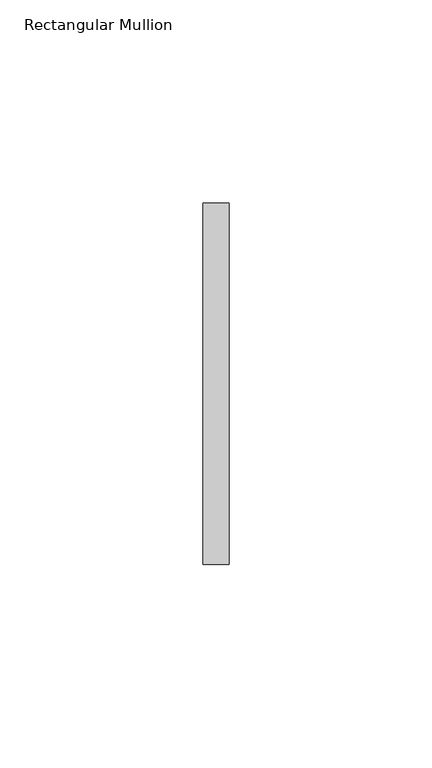
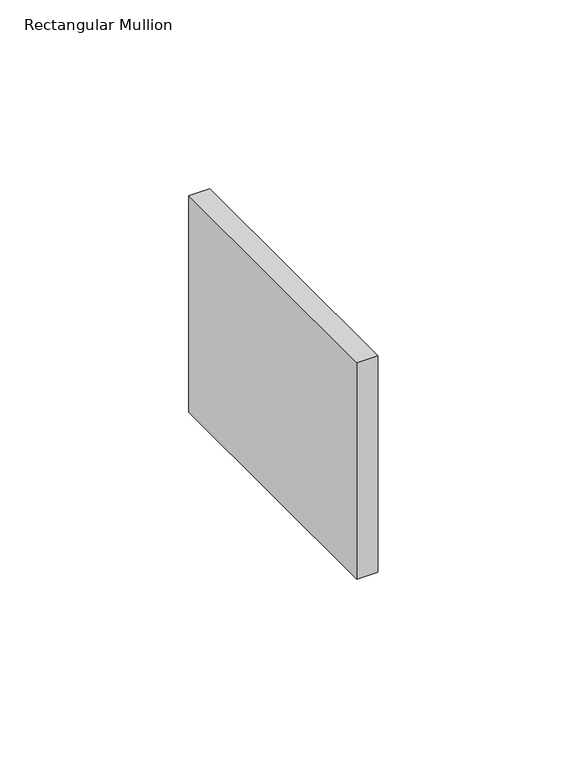
"""IFC4 building model written with IfcOpenShell, lengths in millimetres: member geometry, Rectangular Mullion."""

import ifcopenshell
import ifcopenshell.guid

model = None  # the IFC model being written
_history = None  # IfcOwnerHistory: only IFC2X3 demands one
_inside = {}  # id of a spatial element -> (the spatial element, [elements in it])
_under = {}  # id of a project, library or spatial element -> (it, [spatial elements below it])
_declared = {}  # id of a project -> (the project, [libraries it declares])
_typed = {}  # id of a type object -> (the type object, [elements of that type])
_made_of = {}  # id of a material, layer set ... -> (it, [elements and type objects made of it])


def new_model(schema):
    """Start an empty IFC model of exactly this schema.

    Asked for "IFC4X3", IfcOpenShell would pick the latest addendum, in which some entities
    have other attributes; the version numbers below select the first issue.
    IFC2X3 requires an IfcOwnerHistory on every rooted entity: one is made here for all.
    """
    global model, _history
    if schema == "IFC4X3":
        model = ifcopenshell.file(schema_version=(4, 3, 0, 0))
    else:
        model = ifcopenshell.file(schema=schema)
    _inside.clear()
    _under.clear()
    _declared.clear()
    _typed.clear()
    _made_of.clear()
    _history = None
    if model.schema == "IFC2X3":
        org = make("IfcOrganization", Name="unknown")
        user = make(
            "IfcPersonAndOrganization",
            ThePerson=make("IfcPerson", FamilyName="unknown"),
            TheOrganization=org,
        )
        app = make(
            "IfcApplication",
            ApplicationDeveloper=org,
            Version="unknown",
            ApplicationFullName="unknown",
            ApplicationIdentifier="unknown",
        )
        _history = make(
            "IfcOwnerHistory",
            OwningUser=user,
            OwningApplication=app,
            ChangeAction="ADDED",
            CreationDate=0,
        )
    return model


def make(cls, **values):
    """One entity of the class cls with the attributes given. An attribute that is None is left unset."""
    return model.create_entity(
        cls, **{name: value for name, value in values.items() if value is not None}
    )


def rooted(cls, **values):
    """An entity with a GlobalId (a new one), such as an element, a storey or a relation."""
    return make(cls, GlobalId=ifcopenshell.guid.new(), OwnerHistory=_history, **values)


def si_unit(unit_type, name, prefix=None):
    """IfcSIUnit, for example si_unit("LENGTHUNIT", "METRE", prefix="MILLI")."""
    return make("IfcSIUnit", UnitType=unit_type, Prefix=prefix, Name=name)


def assignment(units):
    """IfcUnitAssignment: the units of a project."""
    return None if units is None else make("IfcUnitAssignment", Units=units)


def point(xyz):
    """IfcCartesianPoint."""
    return None if xyz is None else make("IfcCartesianPoint", Coordinates=xyz)


def direction(xyz):
    """IfcDirection."""
    return None if xyz is None else make("IfcDirection", DirectionRatios=xyz)


def frame(location, z_axis=None, x_axis=None):
    """IfcAxis2Placement3D, a coordinate frame: its origin and axes. An axis left out is left unset."""
    return make(
        "IfcAxis2Placement3D",
        Location=point(location),
        Axis=direction(z_axis),
        RefDirection=direction(x_axis),
    )


def origin():
    """The frame at (0, 0, 0) with its axes left unset."""
    return frame((0.0, 0.0, 0.0))


def place(relative_to, where):
    """IfcLocalPlacement: puts the frame where relative to a parent placement (None: the world)."""
    return make(
        "IfcLocalPlacement", PlacementRelTo=relative_to, RelativePlacement=where
    )


def context(
    kind, dimensions, precision=None, world=None, true_north=None, identifier=None
):
    """IfcGeometricRepresentationContext, for example the 3D "Model" context."""
    return make(
        "IfcGeometricRepresentationContext",
        ContextIdentifier=identifier,
        ContextType=kind,
        CoordinateSpaceDimension=dimensions,
        Precision=precision,
        WorldCoordinateSystem=world,
        TrueNorth=true_north,
    )


def project(units=None, contexts=None):
    """IfcProject with its units and contexts."""
    return rooted(
        "IfcProject",
        Name="project",
        RepresentationContexts=contexts,
        UnitsInContext=assignment(units),
    )


def spatial(cls, under=None, at=None, **own):
    """A site, building, storey or space (cls), placed at a placement, below another one or the project."""
    s = rooted(cls, ObjectPlacement=at, **own)
    if under is not None:
        _under.setdefault(under.id(), (under, []))[1].append(s)
    return s


def polyline(points):
    """IfcPolyline through the points."""
    return make("IfcPolyline", Points=[point(p) for p in points])


def outline(outer, holes=None, kind="AREA"):
    """IfcArbitraryClosedProfileDef: a profile drawn as a closed curve; with holes, ...WithVoids."""
    if holes is None:
        return make("IfcArbitraryClosedProfileDef", ProfileType=kind, OuterCurve=outer)
    return make(
        "IfcArbitraryProfileDefWithVoids",
        ProfileType=kind,
        OuterCurve=outer,
        InnerCurves=holes,
    )


def extrude(swept, where, along, depth):
    """IfcExtrudedAreaSolid: the profile swept, set in the frame where, extruded along a direction by depth."""
    return make(
        "IfcExtrudedAreaSolid",
        SweptArea=swept,
        Position=where,
        ExtrudedDirection=direction(along),
        Depth=depth,
    )


def shape(context_of_items, identifier, shape_type, items):
    """IfcShapeRepresentation: the items that make up one representation, for example the "Body"."""
    return make(
        "IfcShapeRepresentation",
        ContextOfItems=context_of_items,
        RepresentationIdentifier=identifier,
        RepresentationType=shape_type,
        Items=items,
    )


def source(mapping_origin, context_of_items, identifier, shape_type, items):
    """IfcRepresentationMap: a shape defined once, which mapped items show again and again."""
    return make(
        "IfcRepresentationMap",
        MappingOrigin=mapping_origin,
        MappedRepresentation=shape(context_of_items, identifier, shape_type, items),
    )


def transform(
    local_origin,
    x_axis=None,
    y_axis=None,
    z_axis=None,
    scale=None,
    scale2=None,
    scale3=None,
    uniform=True,
):
    """IfcCartesianTransformationOperator3D, or its non-uniform kind. x_axis, y_axis, z_axis: its Axis1, 2, 3."""
    if uniform:
        return make(
            "IfcCartesianTransformationOperator3D",
            Axis1=direction(x_axis),
            Axis2=direction(y_axis),
            LocalOrigin=point(local_origin),
            Scale=scale,
            Axis3=direction(z_axis),
        )
    return make(
        "IfcCartesianTransformationOperator3DnonUniform",
        Axis1=direction(x_axis),
        Axis2=direction(y_axis),
        LocalOrigin=point(local_origin),
        Scale=scale,
        Axis3=direction(z_axis),
        Scale2=scale2,
        Scale3=scale3,
    )


def mapped(mapping_source, mapping_target):
    """IfcMappedItem: shows the shape of a source again, moved by a transform."""
    return make(
        "IfcMappedItem", MappingSource=mapping_source, MappingTarget=mapping_target
    )


def made_of(thing, what):
    """Note that an element or type object is made of a material, layer set ...; save() writes the relation."""
    if what is not None:
        _made_of.setdefault(what.id(), (what, []))[1].append(thing)
    return thing


def element(
    cls,
    number,
    at=None,
    inside=None,
    cuts=None,
    type_object=None,
    material=None,
    context=None,
    identifier="Body",
    shape_type=None,
    held_by="IfcProductDefinitionShape",
    body=None,
    shapes=None,
    **own,
):
    """One element of the class cls, such as IfcWall. Its Tag is "e" and its number.

    at: its placement. inside: the storey or other place that contains it. cuts: it is an
    opening in that element (IfcRelVoidsElement). A single representation is given by context,
    identifier, shape_type and body (its items); several are given by shapes. held_by: the class
    of the entity that holds the representations. save() writes the other relations.
    """
    e = rooted(cls, Tag="e%d" % number, ObjectPlacement=at, **own)
    if body is not None:
        shapes = [shape(context, identifier, shape_type, body)]
    if shapes is not None:
        e.Representation = make(held_by, Representations=shapes)
    if inside is not None:
        _inside.setdefault(inside.id(), (inside, []))[1].append(e)
    if cuts is not None:
        rooted(
            "IfcRelVoidsElement", RelatingBuildingElement=cuts, RelatedOpeningElement=e
        )
    if type_object is not None:
        _typed.setdefault(type_object.id(), (type_object, []))[1].append(e)
    return made_of(e, material)


def aggregate(whole, parts):
    """IfcRelAggregates: a whole, such as a stair, and the parts it consists of."""
    return rooted("IfcRelAggregates", RelatingObject=whole, RelatedObjects=parts)


def save(model, path):
    """Write the relations noted so far, then the file.

    IfcRelAggregates (storeys below a building ...), IfcRelContainedInSpatialStructure (elements
    in a storey), IfcRelDefinesByType, IfcRelAssociatesMaterial and IfcRelDeclares: one each for
    every whole, place, type object, material and project.
    """
    for whole, parts in _under.values():
        aggregate(whole, parts)
    for where, things in _inside.values():
        rooted(
            "IfcRelContainedInSpatialStructure",
            RelatedElements=things,
            RelatingStructure=where,
        )
    for kind, things in _typed.values():
        rooted("IfcRelDefinesByType", RelatedObjects=things, RelatingType=kind)
    for what, things in _made_of.values():
        rooted("IfcRelAssociatesMaterial", RelatedObjects=things, RelatingMaterial=what)
    for by, libraries in _declared.values():
        rooted("IfcRelDeclares", RelatingContext=by, RelatedDefinitions=libraries)
    model.write(path)


def rectangular_mullion_0b1009f1(model_context):
    return source(origin(), model_context, "Body", "SweptSolid", [
        extrude(outline(polyline([(0.0, 44.45), (0.0, -44.45), (-6.35, -44.45), (-6.35, 44.45), (0.0, 44.45)])), frame((0.0, 0.0, -69.85), z_axis=(0.0, 0.0, 1.0), x_axis=(1.0, 0.0, 0.0)), (0.0, 0.0, 1.0), 69.85),
    ])


if __name__ == "__main__":
    model = new_model("IFC4")
    model_context = context("Model", 3, world=origin())
    ifc_project = project(units=[si_unit("LENGTHUNIT", "METRE", prefix="MILLI")], contexts=[model_context])
    site = spatial("IfcSite", under=ifc_project)
    building = spatial("IfcBuilding", under=site)
    placement = place(None, origin())
    rectangular_mullion_shape = rectangular_mullion_0b1009f1(model_context)
    element("IfcMember", 1, ObjectType="Rectangular Mullion", at=placement, inside=building, context=model_context, shape_type="MappedRepresentation", body=[
        mapped(rectangular_mullion_shape, transform((0.0, 0.0, 0.0), x_axis=(1.0, 0.0, 0.0), y_axis=(0.0, 1.0, 0.0), z_axis=(0.0, 0.0, 1.0))),
    ])
    save(model, "model.ifc")
